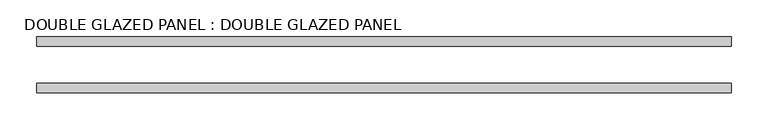
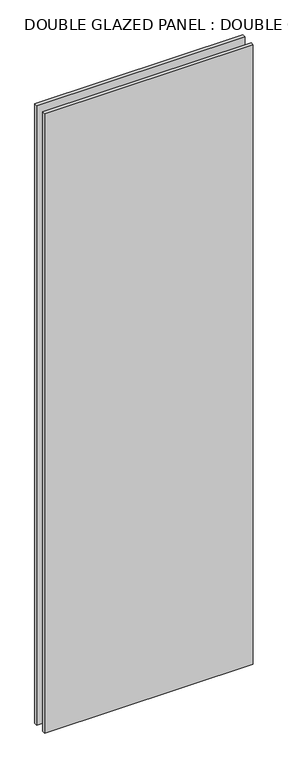
"""IFC4 building model written with IfcOpenShell, lengths in millimetres: plate geometry, DOUBLE GLAZED PANEL : DOUBLE GLAZED PANEL."""

from ifc_helpers import new_model, si_unit, origin, origin_with_axes, place, context, project, spatial, polyline, outline, extrude, source, transform, mapped, element, save


def double_glazed_panel_double_glazed_panel_a48633c6(model_context):
    return source(origin(), model_context, "Body", "SweptSolid", [
        extrude(outline(polyline([(473.075, 6.35), (473.075, -6.35), (-473.075, -6.35), (-473.075, 6.35), (473.075, 6.35)])), origin_with_axes(), (0.0, 0.0, 1.0), 2971.8),
        extrude(outline(polyline([(473.075, 69.85), (473.075, 57.15), (-473.075, 57.15), (-473.075, 69.85), (473.075, 69.85)])), origin_with_axes(), (0.0, 0.0, 1.0), 2971.8),
    ])


if __name__ == "__main__":
    model = new_model("IFC4")
    model_context = context("Model", 3, world=origin())
    ifc_project = project(units=[si_unit("LENGTHUNIT", "METRE", prefix="MILLI")], contexts=[model_context])
    site = spatial("IfcSite", under=ifc_project)
    building = spatial("IfcBuilding", under=site)
    placement = place(None, origin())
    double_glazed_panel_double_glazed_panel_shape = double_glazed_panel_double_glazed_panel_a48633c6(model_context)
    element("IfcPlate", 1, ObjectType="DOUBLE GLAZED PANEL : DOUBLE GLAZED PANEL", at=placement, inside=building, context=model_context, shape_type="MappedRepresentation", body=[
        mapped(double_glazed_panel_double_glazed_panel_shape, transform((0.0, 0.0, 0.0), x_axis=(1.0, 0.0, 0.0), y_axis=(0.0, 1.0, 0.0), z_axis=(0.0, 0.0, 1.0))),
    ])
    save(model, "model.ifc")
